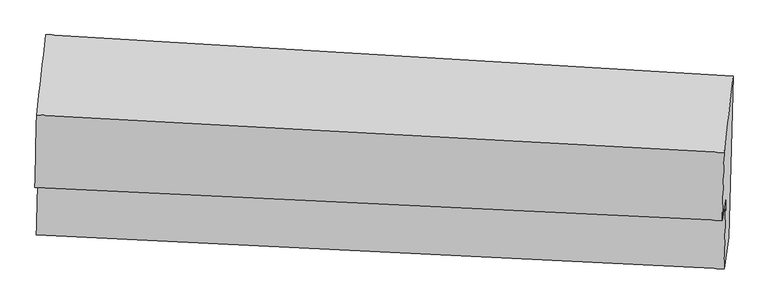
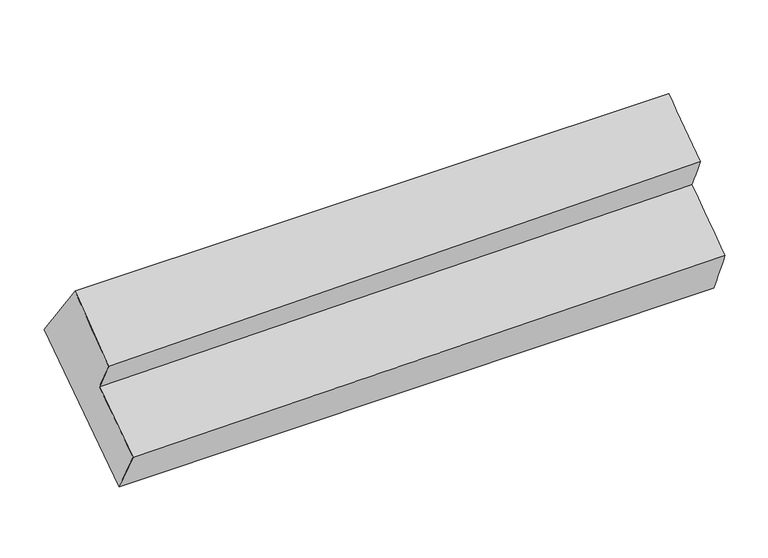
"""IFC4 building model written with IfcOpenShell, lengths in millimetres: proxy geometry."""

import ifcopenshell
import ifcopenshell.guid

model = None  # the IFC model being written
_history = None  # IfcOwnerHistory: only IFC2X3 demands one
_inside = {}  # id of a spatial element -> (the spatial element, [elements in it])
_under = {}  # id of a project, library or spatial element -> (it, [spatial elements below it])
_declared = {}  # id of a project -> (the project, [libraries it declares])
_typed = {}  # id of a type object -> (the type object, [elements of that type])
_made_of = {}  # id of a material, layer set ... -> (it, [elements and type objects made of it])


def new_model(schema):
    """Start an empty IFC model of exactly this schema.

    Asked for "IFC4X3", IfcOpenShell would pick the latest addendum, in which some entities
    have other attributes; the version numbers below select the first issue.
    IFC2X3 requires an IfcOwnerHistory on every rooted entity: one is made here for all.
    """
    global model, _history
    if schema == "IFC4X3":
        model = ifcopenshell.file(schema_version=(4, 3, 0, 0))
    else:
        model = ifcopenshell.file(schema=schema)
    _inside.clear()
    _under.clear()
    _declared.clear()
    _typed.clear()
    _made_of.clear()
    _history = None
    if model.schema == "IFC2X3":
        org = make("IfcOrganization", Name="unknown")
        user = make(
            "IfcPersonAndOrganization",
            ThePerson=make("IfcPerson", FamilyName="unknown"),
            TheOrganization=org,
        )
        app = make(
            "IfcApplication",
            ApplicationDeveloper=org,
            Version="unknown",
            ApplicationFullName="unknown",
            ApplicationIdentifier="unknown",
        )
        _history = make(
            "IfcOwnerHistory",
            OwningUser=user,
            OwningApplication=app,
            ChangeAction="ADDED",
            CreationDate=0,
        )
    return model


def make(cls, **values):
    """One entity of the class cls with the attributes given. An attribute that is None is left unset."""
    return model.create_entity(
        cls, **{name: value for name, value in values.items() if value is not None}
    )


def rooted(cls, **values):
    """An entity with a GlobalId (a new one), such as an element, a storey or a relation."""
    return make(cls, GlobalId=ifcopenshell.guid.new(), OwnerHistory=_history, **values)


def si_unit(unit_type, name, prefix=None):
    """IfcSIUnit, for example si_unit("LENGTHUNIT", "METRE", prefix="MILLI")."""
    return make("IfcSIUnit", UnitType=unit_type, Prefix=prefix, Name=name)


def assignment(units):
    """IfcUnitAssignment: the units of a project."""
    return None if units is None else make("IfcUnitAssignment", Units=units)


def point(xyz):
    """IfcCartesianPoint."""
    return None if xyz is None else make("IfcCartesianPoint", Coordinates=xyz)


def direction(xyz):
    """IfcDirection."""
    return None if xyz is None else make("IfcDirection", DirectionRatios=xyz)


def frame(location, z_axis=None, x_axis=None):
    """IfcAxis2Placement3D, a coordinate frame: its origin and axes. An axis left out is left unset."""
    return make(
        "IfcAxis2Placement3D",
        Location=point(location),
        Axis=direction(z_axis),
        RefDirection=direction(x_axis),
    )


def origin():
    """The frame at (0, 0, 0) with its axes left unset."""
    return frame((0.0, 0.0, 0.0))


def place(relative_to, where):
    """IfcLocalPlacement: puts the frame where relative to a parent placement (None: the world)."""
    return make(
        "IfcLocalPlacement", PlacementRelTo=relative_to, RelativePlacement=where
    )


def context(
    kind, dimensions, precision=None, world=None, true_north=None, identifier=None
):
    """IfcGeometricRepresentationContext, for example the 3D "Model" context."""
    return make(
        "IfcGeometricRepresentationContext",
        ContextIdentifier=identifier,
        ContextType=kind,
        CoordinateSpaceDimension=dimensions,
        Precision=precision,
        WorldCoordinateSystem=world,
        TrueNorth=true_north,
    )


def project(units=None, contexts=None):
    """IfcProject with its units and contexts."""
    return rooted(
        "IfcProject",
        Name="project",
        RepresentationContexts=contexts,
        UnitsInContext=assignment(units),
    )


def spatial(cls, under=None, at=None, **own):
    """A site, building, storey or space (cls), placed at a placement, below another one or the project."""
    s = rooted(cls, ObjectPlacement=at, **own)
    if under is not None:
        _under.setdefault(under.id(), (under, []))[1].append(s)
    return s


def shape(context_of_items, identifier, shape_type, items):
    """IfcShapeRepresentation: the items that make up one representation, for example the "Body"."""
    return make(
        "IfcShapeRepresentation",
        ContextOfItems=context_of_items,
        RepresentationIdentifier=identifier,
        RepresentationType=shape_type,
        Items=items,
    )


def source(mapping_origin, context_of_items, identifier, shape_type, items):
    """IfcRepresentationMap: a shape defined once, which mapped items show again and again."""
    return make(
        "IfcRepresentationMap",
        MappingOrigin=mapping_origin,
        MappedRepresentation=shape(context_of_items, identifier, shape_type, items),
    )


def transform(
    local_origin,
    x_axis=None,
    y_axis=None,
    z_axis=None,
    scale=None,
    scale2=None,
    scale3=None,
    uniform=True,
):
    """IfcCartesianTransformationOperator3D, or its non-uniform kind. x_axis, y_axis, z_axis: its Axis1, 2, 3."""
    if uniform:
        return make(
            "IfcCartesianTransformationOperator3D",
            Axis1=direction(x_axis),
            Axis2=direction(y_axis),
            LocalOrigin=point(local_origin),
            Scale=scale,
            Axis3=direction(z_axis),
        )
    return make(
        "IfcCartesianTransformationOperator3DnonUniform",
        Axis1=direction(x_axis),
        Axis2=direction(y_axis),
        LocalOrigin=point(local_origin),
        Scale=scale,
        Axis3=direction(z_axis),
        Scale2=scale2,
        Scale3=scale3,
    )


def mapped(mapping_source, mapping_target):
    """IfcMappedItem: shows the shape of a source again, moved by a transform."""
    return make(
        "IfcMappedItem", MappingSource=mapping_source, MappingTarget=mapping_target
    )


def made_of(thing, what):
    """Note that an element or type object is made of a material, layer set ...; save() writes the relation."""
    if what is not None:
        _made_of.setdefault(what.id(), (what, []))[1].append(thing)
    return thing


def element(
    cls,
    number,
    at=None,
    inside=None,
    cuts=None,
    type_object=None,
    material=None,
    context=None,
    identifier="Body",
    shape_type=None,
    held_by="IfcProductDefinitionShape",
    body=None,
    shapes=None,
    **own,
):
    """One element of the class cls, such as IfcWall. Its Tag is "e" and its number.

    at: its placement. inside: the storey or other place that contains it. cuts: it is an
    opening in that element (IfcRelVoidsElement). A single representation is given by context,
    identifier, shape_type and body (its items); several are given by shapes. held_by: the class
    of the entity that holds the representations. save() writes the other relations.
    """
    e = rooted(cls, Tag="e%d" % number, ObjectPlacement=at, **own)
    if body is not None:
        shapes = [shape(context, identifier, shape_type, body)]
    if shapes is not None:
        e.Representation = make(held_by, Representations=shapes)
    if inside is not None:
        _inside.setdefault(inside.id(), (inside, []))[1].append(e)
    if cuts is not None:
        rooted(
            "IfcRelVoidsElement", RelatingBuildingElement=cuts, RelatedOpeningElement=e
        )
    if type_object is not None:
        _typed.setdefault(type_object.id(), (type_object, []))[1].append(e)
    return made_of(e, material)


def aggregate(whole, parts):
    """IfcRelAggregates: a whole, such as a stair, and the parts it consists of."""
    return rooted("IfcRelAggregates", RelatingObject=whole, RelatedObjects=parts)


def save(model, path):
    """Write the relations noted so far, then the file.

    IfcRelAggregates (storeys below a building ...), IfcRelContainedInSpatialStructure (elements
    in a storey), IfcRelDefinesByType, IfcRelAssociatesMaterial and IfcRelDeclares: one each for
    every whole, place, type object, material and project.
    """
    for whole, parts in _under.values():
        aggregate(whole, parts)
    for where, things in _inside.values():
        rooted(
            "IfcRelContainedInSpatialStructure",
            RelatedElements=things,
            RelatingStructure=where,
        )
    for kind, things in _typed.values():
        rooted("IfcRelDefinesByType", RelatedObjects=things, RelatingType=kind)
    for what, things in _made_of.values():
        rooted("IfcRelAssociatesMaterial", RelatedObjects=things, RelatingMaterial=what)
    for by, libraries in _declared.values():
        rooted("IfcRelDeclares", RelatingContext=by, RelatedDefinitions=libraries)
    model.write(path)


def plane_surface(at):
    """IfcPlane: the flat surface through the origin of the frame at, square to its z axis."""
    return make("IfcPlane", Position=at)


def spline_surface(u_degree, v_degree, points, u_multiplicities, v_multiplicities, u_knots, v_knots, weights=None):
    """IfcBSplineSurfaceWithKnots; with weights, IfcRationalBSplineSurfaceWithKnots. points: one row for each step in u."""
    own = dict(
        UDegree=u_degree,
        VDegree=v_degree,
        ControlPointsList=[[point(p) for p in row] for row in points],
        SurfaceForm="UNSPECIFIED",
        UClosed=False,
        VClosed=False,
        SelfIntersect=False,
        UMultiplicities=u_multiplicities,
        VMultiplicities=v_multiplicities,
        UKnots=u_knots,
        VKnots=v_knots,
        KnotSpec="UNSPECIFIED",
    )
    if weights is None:
        return make("IfcBSplineSurfaceWithKnots", **own)
    return make("IfcRationalBSplineSurfaceWithKnots", WeightsData=weights, **own)


def advanced_brep(points, edges, surfaces, faces):
    """IfcAdvancedBrep: a solid bounded by faces that lie on surfaces and meet in shared edges.

    An edge is (start, end): straight between two places in points (the first is 0);
    or (start, end, curve); or (start, end, curve, False) where it runs against its curve.
    A face is (place in surfaces, loops), or (place, loops, False) where it looks against
    its surface's normal. A loop lists edges by number (the first is 1), with a minus sign
    where the edge is run from its end to its start. The first loop is the outer one.
    """
    corners = [point(p) for p in points]
    vertices = [make("IfcVertexPoint", VertexGeometry=c) for c in corners]
    made = []
    for start, end, *more in edges:
        made.append(
            make(
                "IfcEdgeCurve",
                EdgeStart=vertices[start],
                EdgeEnd=vertices[end],
                EdgeGeometry=more[0] if more else make("IfcPolyline", Points=[corners[start], corners[end]]),
                SameSense=more[1] if len(more) > 1 else True,
            )
        )
    hull = []
    for where, loops, *sense in faces:
        bounds = []
        for j, loop in enumerate(loops):
            ring = [make("IfcOrientedEdge", EdgeElement=made[abs(k) - 1], Orientation=k > 0) for k in loop]
            bounds.append(
                make(
                    "IfcFaceOuterBound" if j == 0 else "IfcFaceBound",
                    Bound=make("IfcEdgeLoop", EdgeList=ring),
                    Orientation=True,
                )
            )
        hull.append(make("IfcAdvancedFace", Bounds=bounds, FaceSurface=surfaces[where], SameSense=sense[0] if sense else True))
    return make("IfcAdvancedBrep", Outer=make("IfcClosedShell", CfsFaces=hull))


def generic_models_6854aa66(model_context):
    return source(origin(), model_context, "Body", "AdvancedBrep", [
        advanced_brep(
        [(-5444.16774, -438.5874371, 1766.4602806), (-5516.0798882, -1053.3145178, 2533.6493154), (-241.7103685, -1341.0287779, 2774.2683184), (-172.4103919, -756.0832948, 2024.8727653), (-5478.3706858, -1689.7077685, 1009.5445269), (-205.4643136, -1995.4825157, 1275.1165266), (-5517.6639728, -1976.792976, 1485.8486392), (-242.0349743, -2236.4385274, 1748.6650114), (-5502.3664683, -1417.220737, 1824.3844557), (-228.2642082, -1687.8007426, 2098.2448558), (-5528.9671216, -1611.5708325, 2146.8314063), (-254.731029, -1864.6150829, 2438.15833)],
        [
            (0, 1),
            (1, 2),
            (2, 3),
            (3, 0),
            (4, 0),
            (3, 5),
            (5, 4),
            (6, 4),
            (5, 7),
            (7, 6),
            (8, 6),
            (7, 9),
            (9, 8),
            (10, 8),
            (9, 11),
            (11, 10),
            (1, 10),
            (11, 2),
        ],
        [
            spline_surface(1, 1, [[(-5444.16774, -438.5874371, 1766.4602806), (-172.4103919, -756.0832948, 2024.8727653)], [(-5516.0798882, -1053.3145178, 2533.6493154), (-241.7103685, -1341.0287779, 2774.2683184)]], [2, 2], [2, 2], [0.0, 1.0], [0.0, 1.0]),
            spline_surface(1, 1, [[(-5478.3706858, -1689.7077685, 1009.5445269), (-205.4643136, -1995.4825157, 1275.1165266)], [(-5444.16774, -438.5874371, 1766.4602806), (-172.4103919, -756.0832948, 2024.8727653)]], [2, 2], [2, 2], [0.0, 1.0], [0.0, 1.0]),
            spline_surface(1, 1, [[(-5517.6639728, -1976.792976, 1485.8486392), (-242.0349743, -2236.4385274, 1748.6650114)], [(-5478.3706858, -1689.7077685, 1009.5445269), (-205.4643136, -1995.4825157, 1275.1165266)]], [2, 2], [2, 2], [0.0, 1.0], [0.0, 1.0]),
            spline_surface(1, 1, [[(-5502.3664683, -1417.220737, 1824.3844557), (-228.2642082, -1687.8007426, 2098.2448558)], [(-5517.6639728, -1976.792976, 1485.8486392), (-242.0349743, -2236.4385274, 1748.6650114)]], [2, 2], [2, 2], [0.0, 1.0], [0.0, 1.0]),
            spline_surface(1, 1, [[(-5528.9671216, -1611.5708325, 2146.8314063), (-254.731029, -1864.6150829, 2438.15833)], [(-5502.3664683, -1417.220737, 1824.3844557), (-228.2642082, -1687.8007426, 2098.2448558)]], [2, 2], [2, 2], [0.0, 1.0], [0.0, 1.0]),
            spline_surface(1, 1, [[(-5516.0798882, -1053.3145178, 2533.6493154), (-241.7103685, -1341.0287779, 2774.2683184)], [(-5528.9671216, -1611.5708325, 2146.8314063), (-254.731029, -1864.6150829, 2438.15833)]], [2, 2], [2, 2], [0.0, 1.0], [0.0, 1.0]),
            plane_surface(frame((-224.1025476, -1646.9081569, 2059.8876346), z_axis=(0.9972523770766726, -0.05595991594587939, 0.04854054204740862), x_axis=(-0.02116328715134387, -0.8431614430578799, -0.5372437958855396))),
            plane_surface(frame((-5497.9359794, -1364.5323782, 1794.453104), z_axis=(-0.99723915154598, 0.05644968555009416, -0.048244249658892985), x_axis=(0.07295408666903715, 0.6236338892954217, -0.778304871731221))),
        ],
        [
            (0, [[1, 2, 3, 4]]),
            (1, [[5, -4, 6, 7]]),
            (2, [[8, -7, 9, 10]]),
            (3, [[11, -10, 12, 13]]),
            (4, [[14, -13, 15, 16]]),
            (5, [[17, -16, 18, -2]]),
            (6, [[-12, -9, -6, -3, -18, -15]]),
            (7, [[-1, -5, -8, -11, -14, -17]]),
        ],
    ),
    ])


if __name__ == "__main__":
    model = new_model("IFC4")
    model_context = context("Model", 3, world=origin())
    ifc_project = project(units=[si_unit("LENGTHUNIT", "METRE", prefix="MILLI")], contexts=[model_context])
    site = spatial("IfcSite", under=ifc_project)
    building = spatial("IfcBuilding", under=site)
    placement = place(None, origin())
    generic_models_shape = generic_models_6854aa66(model_context)
    element("IfcBuildingElementProxy", 1, Name="Generic Models", at=placement, inside=building, context=model_context, shape_type="MappedRepresentation", body=[
        mapped(generic_models_shape, transform((0.0, 0.0, 0.0), x_axis=(1.0, 0.0, 0.0), y_axis=(0.0, 1.0, 0.0), z_axis=(0.0, 0.0, 1.0))),
    ])
    save(model, "model.ifc")
